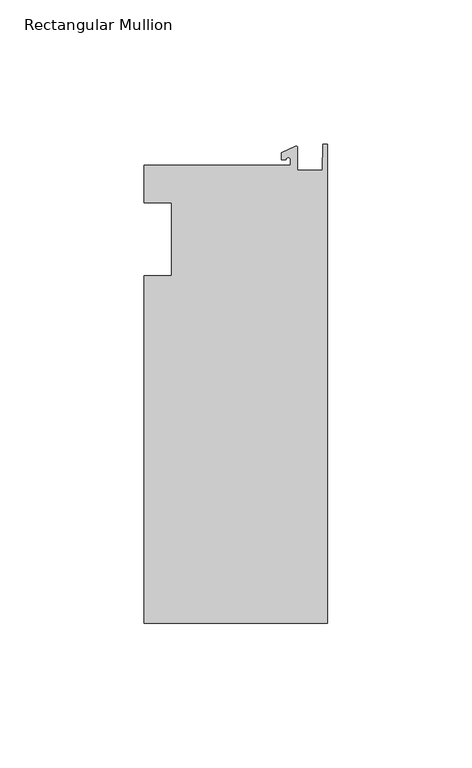
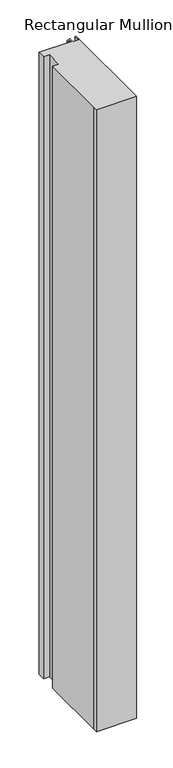
"""IFC4 building model written with IfcOpenShell, lengths in millimetres: member geometry, Rectangular Mullion."""

from ifc_helpers import new_model, si_unit, point, frame, frame_2d, origin, place, context, project, spatial, polyline, circle_curve, trimmed, segment, composite_curve, outline, extrude, source, transform, mapped, element, save


def rectangular_mullion_8cf99b18(model_context):
    return source(origin(), model_context, "Body", "SweptSolid", [
        extrude(outline(composite_curve([segment(polyline([(-12.8216721, 25.5984375), (-12.8216721, 27.5208534)]), True, "CONTINUOUS"), segment(trimmed(circle_curve(frame_2d((-13.6154221, 27.5208534)), 0.79375), [point((-12.8216721, 27.5208534))], [point((-14.4091721, 27.5208534))], True, "CARTESIAN"), True, "CONTINUOUS"), segment(polyline([(-14.4091721, 27.5208534), (-15.9966721, 27.5208534), (-15.9966721, 29.8830527), (-11.1567622, 32.1399398)]), True, "CONTINUOUS"), segment(trimmed(circle_curve(frame_2d((-10.9420721, 31.6795354)), 0.508), [point((-11.1567622, 32.1399398))], [point((-10.4340721, 31.6795354))], False, "CARTESIAN"), True, "CONTINUOUS"), segment(polyline([(-10.4340721, 31.6795354), (-10.4340721, 23.9227662), (-1.7144124, 23.9227662), (-1.5566453, 32.810012), (0.0, 32.810012), (0.0, -132.822512), (-63.5, -132.822512), (-63.5, -125.075512), (-63.5, -12.7), (-53.975, -12.7), (-53.975, 12.7), (-63.5, 12.7), (-63.5, 25.5984375), (-12.8216721, 25.5984375)]), True, "CONTINUOUS")], self_intersect=False)), frame((0.0, 0.0, -1042.56492), z_axis=(0.0, 0.0, 1.0), x_axis=(1.0, 0.0, 0.0)), (0.0, 0.0, 1.0), 1042.56492),
    ])


if __name__ == "__main__":
    model = new_model("IFC4")
    model_context = context("Model", 3, world=origin())
    ifc_project = project(units=[si_unit("LENGTHUNIT", "METRE", prefix="MILLI")], contexts=[model_context])
    site = spatial("IfcSite", under=ifc_project)
    building = spatial("IfcBuilding", under=site)
    placement = place(None, origin())
    rectangular_mullion_shape = rectangular_mullion_8cf99b18(model_context)
    element("IfcMember", 1, ObjectType="Rectangular Mullion", at=placement, inside=building, context=model_context, shape_type="MappedRepresentation", body=[
        mapped(rectangular_mullion_shape, transform((0.0, 0.0, 0.0), x_axis=(1.0, 0.0, 0.0), y_axis=(0.0, 1.0, 0.0), z_axis=(0.0, 0.0, 1.0))),
    ])
    save(model, "model.ifc")
